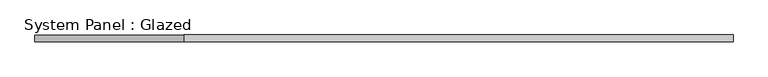
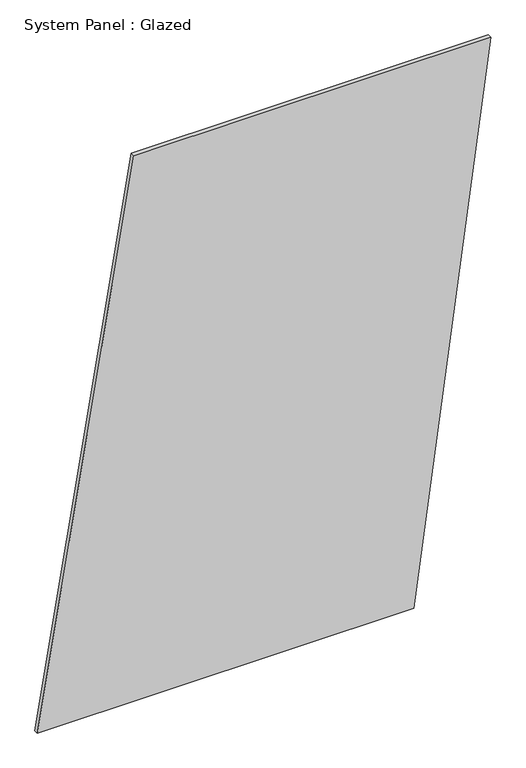
"""IFC4 building model written with IfcOpenShell, lengths in millimetres: plate geometry, System Panel : Glazed."""

from ifc_helpers import new_model, si_unit, frame, origin, place, context, project, spatial, polyline, outline, extrude, source, transform, mapped, element, save


def system_panel_glazed_0173bce2(model_context):
    return source(origin(), model_context, "Body", "SweptSolid", [
        extrude(outline(polyline([(0.0, -1311.7621811), (0.0, 864.8474893), (3336.3860932, 1311.7621811), (3336.3860932, -753.1188164), (0.0, -1311.7621811)])), frame((0.0, -49.5, 0.0), z_axis=(0.0, 1.0, 0.0), x_axis=(0.0, 0.0, 1.0)), (0.0, 0.0, 1.0), 25.0),
    ])


if __name__ == "__main__":
    model = new_model("IFC4")
    model_context = context("Model", 3, world=origin())
    ifc_project = project(units=[si_unit("LENGTHUNIT", "METRE", prefix="MILLI")], contexts=[model_context])
    site = spatial("IfcSite", under=ifc_project)
    building = spatial("IfcBuilding", under=site)
    placement = place(None, origin())
    system_panel_glazed_shape = system_panel_glazed_0173bce2(model_context)
    element("IfcPlate", 1, ObjectType="System Panel : Glazed", at=placement, inside=building, context=model_context, shape_type="MappedRepresentation", body=[
        mapped(system_panel_glazed_shape, transform((0.0, 0.0, 0.0), x_axis=(1.0, 0.0, 0.0), y_axis=(0.0, 1.0, 0.0), z_axis=(0.0, 0.0, 1.0))),
    ])
    save(model, "model.ifc")
